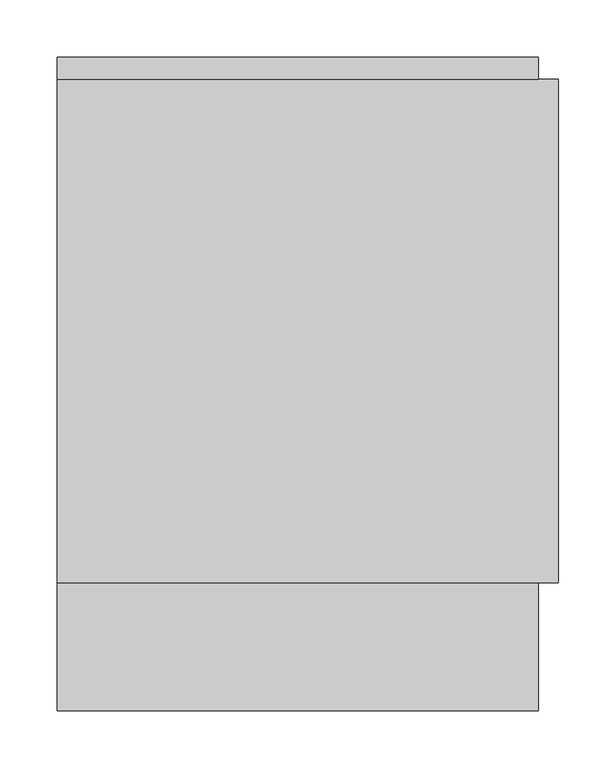
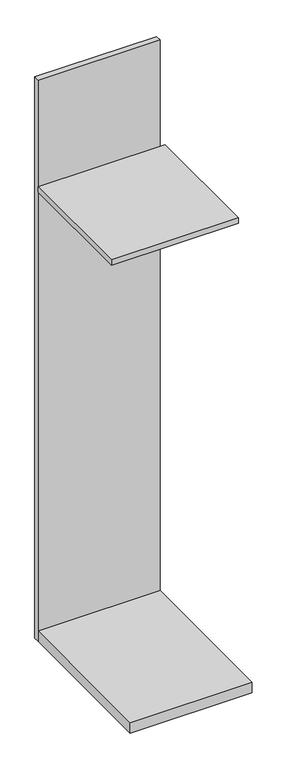
"""IFC4 building model written with IfcOpenShell, lengths in millimetres: furniture geometry."""

from ifc_helpers import new_model, si_unit, point, frame, frame_2d, origin, origin_with_axes, place, context, project, spatial, polyline, circle_curve, trimmed, segment, composite_curve, outline, extrude, source, transform, mapped, element, save


def furniture_801c619b(model_context):
    return source(origin(), model_context, "Body", "SweptSolid", [
        extrude(outline(composite_curve([segment(trimmed(circle_curve(frame_2d((1524.0, 200.025)), 12.7), [point((1524.0, 212.725))], [point((1524.0, 187.325))], False, "CARTESIAN"), True, "CONTINUOUS"), segment(trimmed(circle_curve(frame_2d((1524.0, 200.025)), 12.7), [point((1524.0, 187.325))], [point((1524.0, 212.725))], False, "CARTESIAN"), True, "CONTINUOUS")], self_intersect=False)), frame((0.0, 95.25, 0.0), z_axis=(0.0, 1.0, 0.0), x_axis=(0.0, 0.0, 1.0)), (0.0, 0.0, 1.0), 57.15),
        extrude(outline(polyline([(442.9125, 152.4), (442.9125, -285.75), (6.35, -285.75), (6.35, 152.4), (442.9125, 152.4)])), frame((0.0, 0.0, 1631.95), z_axis=(0.0, 0.0, 1.0), x_axis=(1.0, 0.0, 0.0)), (0.0, 0.0, 1.0), 19.05),
        extrude(outline(polyline([(425.45, 171.45), (425.45, 152.4), (6.35, 152.4), (6.35, 171.45), (425.45, 171.45)])), origin_with_axes(), (0.0, 0.0, 1.0), 2038.35),
        extrude(outline(polyline([(425.45, 152.4), (425.45, -396.875), (6.35, -396.875), (6.35, 152.4), (425.45, 152.4)])), origin_with_axes(), (0.0, 0.0, 1.0), 38.1),
    ])


if __name__ == "__main__":
    model = new_model("IFC4")
    model_context = context("Model", 3, world=origin())
    ifc_project = project(units=[si_unit("LENGTHUNIT", "METRE", prefix="MILLI")], contexts=[model_context])
    site = spatial("IfcSite", under=ifc_project)
    building = spatial("IfcBuilding", under=site)
    placement = place(None, origin())
    furniture_shape = furniture_801c619b(model_context)
    element("IfcFurniture", 1, at=placement, inside=building, context=model_context, shape_type="MappedRepresentation", body=[
        mapped(furniture_shape, transform((0.0, 0.0, 0.0), x_axis=(1.0, 0.0, 0.0), y_axis=(0.0, 1.0, 0.0), z_axis=(0.0, 0.0, 1.0))),
    ])
    save(model, "model.ifc")
